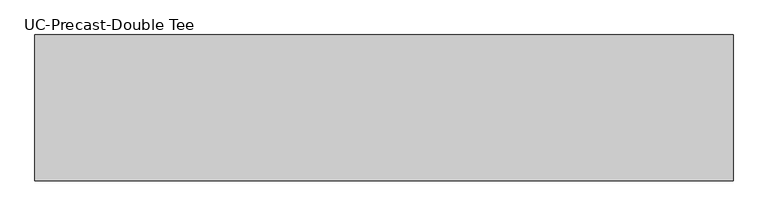
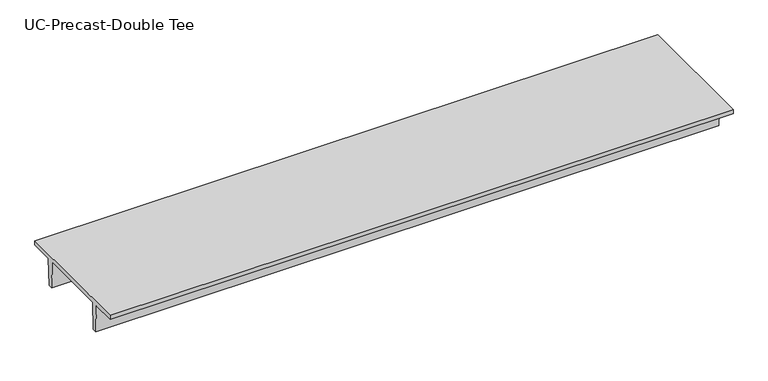
"""IFC4 building model written with IfcOpenShell, lengths in millimetres: beam geometry, UC-Precast-Double Tee."""

from ifc_helpers import new_model, si_unit, frame, origin, place, context, project, spatial, polyline, outline, extrude, source, transform, mapped, element, save


def uc_precast_double_tee_24468f45(model_context):
    return source(origin(), model_context, "Body", "SweptSolid", [
        extrude(outline(polyline([(1549.4, 381.0), (1549.4, 279.4), (990.6, 279.4), (965.2, -381.0), (863.6, -381.0), (838.2, 279.4), (-838.2, 279.4), (-863.6, -381.0), (-965.2, -381.0), (-990.6, 279.4), (-1549.4, 279.4), (-1549.4, 381.0), (1549.4, 381.0)])), frame((-7467.6, 0.0, 0.0), z_axis=(1.0, 0.0, 0.0), x_axis=(0.0, 1.0, 0.0)), (0.0, 0.0, 1.0), 14842.5657187),
    ])


if __name__ == "__main__":
    model = new_model("IFC4")
    model_context = context("Model", 3, world=origin())
    ifc_project = project(units=[si_unit("LENGTHUNIT", "METRE", prefix="MILLI")], contexts=[model_context])
    site = spatial("IfcSite", under=ifc_project)
    building = spatial("IfcBuilding", under=site)
    placement = place(None, origin())
    uc_precast_double_tee_shape = uc_precast_double_tee_24468f45(model_context)
    element("IfcBeam", 1, ObjectType="UC-Precast-Double Tee", at=placement, inside=building, context=model_context, shape_type="MappedRepresentation", body=[
        mapped(uc_precast_double_tee_shape, transform((0.0, 0.0, 0.0), x_axis=(1.0, 0.0, 0.0), y_axis=(0.0, 1.0, 0.0), z_axis=(0.0, 0.0, 1.0))),
    ])
    save(model, "model.ifc")
